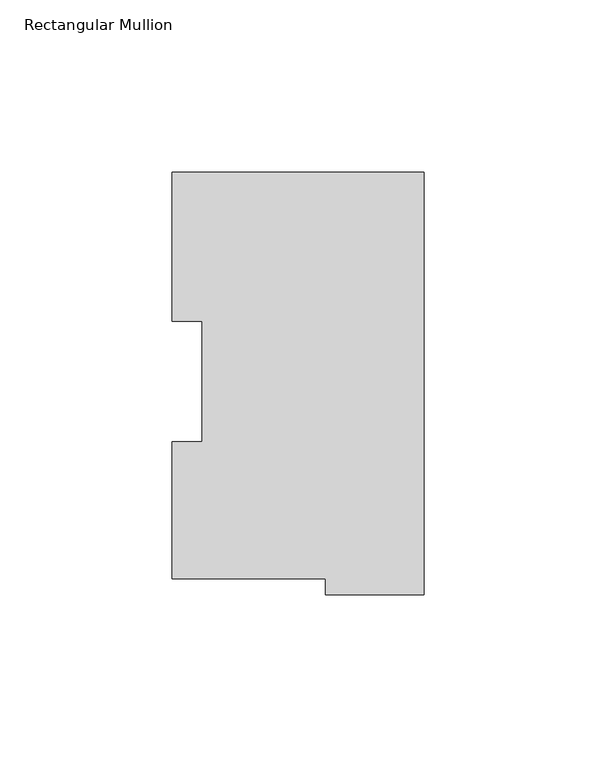
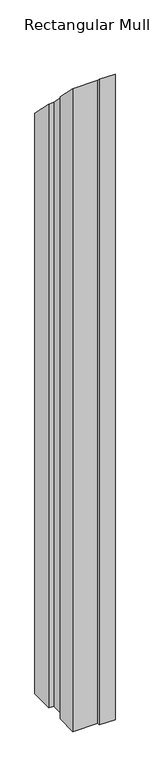
"""IFC4 building model written with IfcOpenShell, lengths in millimetres: member geometry, Rectangular Mullion."""

from ifc_helpers import new_model, si_unit, origin, place, context, project, spatial, faceted_brep, source, transform, mapped, element, save


def rectangular_mullion_9947a652(model_context):
    return source(origin(), model_context, "Body", "Brep", [
        faceted_brep([(0.0, 117.827425, -1219.2), (0.0, -4.778375, -1219.2), (-28.575, -4.778375, -1219.2), (-28.575, -0.028575, -1219.2), (-73.025, -0.028575, -1219.2), (-73.025, 39.646225, -1219.2), (-64.2874, 39.646225, -1219.2), (-64.2874, 74.596625, -1219.2), (-73.025, 74.596625, -1219.2), (-73.025, 117.827425, -1219.2), (-73.025, 117.827425, -117.827425), (0.0, 117.827425, -117.827425), (-73.025, 74.596625, -74.596625), (-64.2874, 74.596625, -74.596625), (-64.2874, 39.646225, -39.646225), (-73.025, 39.646225, -39.646225), (-73.025, -0.028575, 0.028575), (-28.575, -0.028575, 0.028575), (-28.575, -4.778375, 4.778375), (0.0, -4.778375, 4.778375)], [[[0, 1, 2, 3, 4, 5, 6, 7, 8, 9]], [[10, 11, 0, 9]], [[12, 10, 9, 8]], [[13, 12, 8, 7]], [[14, 13, 7, 6]], [[15, 14, 6, 5]], [[16, 15, 5, 4]], [[17, 16, 4, 3]], [[18, 17, 3, 2]], [[19, 18, 2, 1]], [[11, 19, 1, 0]], [[11, 10, 12, 13, 14, 15, 16, 17, 18, 19]]]),
    ])


if __name__ == "__main__":
    model = new_model("IFC4")
    model_context = context("Model", 3, world=origin())
    ifc_project = project(units=[si_unit("LENGTHUNIT", "METRE", prefix="MILLI")], contexts=[model_context])
    site = spatial("IfcSite", under=ifc_project)
    building = spatial("IfcBuilding", under=site)
    placement = place(None, origin())
    rectangular_mullion_shape = rectangular_mullion_9947a652(model_context)
    element("IfcMember", 1, ObjectType="Rectangular Mullion", at=placement, inside=building, context=model_context, shape_type="MappedRepresentation", body=[
        mapped(rectangular_mullion_shape, transform((0.0, 0.0, 0.0), x_axis=(1.0, 0.0, 0.0), y_axis=(0.0, 1.0, 0.0), z_axis=(0.0, 0.0, 1.0))),
    ])
    save(model, "model.ifc")
